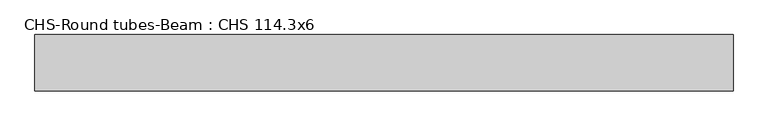
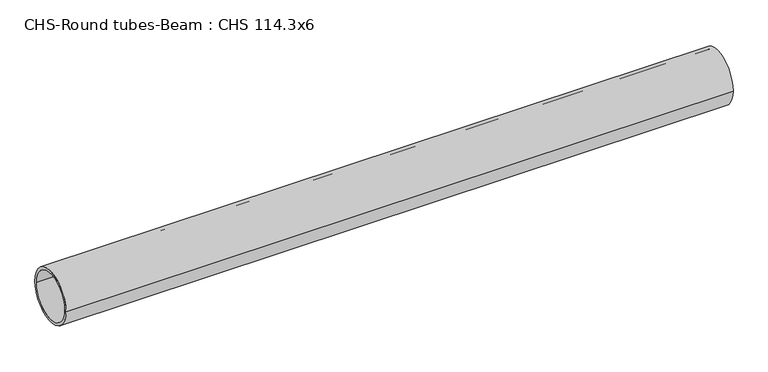
"""IFC4 building model written with IfcOpenShell, lengths in millimetres: beam geometry, CHS-Round tubes-Beam : CHS 114.3x6."""

from ifc_helpers import new_model, si_unit, point, frame, origin, origin_2d, place, context, project, spatial, circle_curve, trimmed, segment, composite_curve, outline, extrude, source, transform, mapped, element, save


def chs_round_tubes_beam_chs_114_3x6_f212ac87(model_context):
    return source(origin(), model_context, "Body", "SweptSolid", [
        extrude(outline(composite_curve([segment(trimmed(circle_curve(origin_2d(), 57.15), [point((57.15, 0.0))], [point((-57.15, 0.0))], False, "CARTESIAN"), True, "CONTINUOUS"), segment(trimmed(circle_curve(origin_2d(), 57.15), [point((-57.15, 0.0))], [point((57.15, 0.0))], False, "CARTESIAN"), True, "CONTINUOUS")], self_intersect=False), holes=[composite_curve([segment(trimmed(circle_curve(origin_2d(), 51.15), [point((51.15, 0.0))], [point((-51.15, 0.0))], True, "CARTESIAN"), True, "CONTINUOUS"), segment(trimmed(circle_curve(origin_2d(), 51.15), [point((-51.15, 0.0))], [point((51.15, 0.0))], True, "CARTESIAN"), True, "CONTINUOUS")], self_intersect=False)]), frame((-772.0870609, 0.0, 0.0), z_axis=(1.0, 0.0, 0.0), x_axis=(0.0, 1.0, 0.0)), (0.0, 0.0, 1.0), 1417.6867698),
    ])


if __name__ == "__main__":
    model = new_model("IFC4")
    model_context = context("Model", 3, world=origin())
    ifc_project = project(units=[si_unit("LENGTHUNIT", "METRE", prefix="MILLI")], contexts=[model_context])
    site = spatial("IfcSite", under=ifc_project)
    building = spatial("IfcBuilding", under=site)
    placement = place(None, origin())
    chs_round_tubes_beam_chs_114_3x6_shape = chs_round_tubes_beam_chs_114_3x6_f212ac87(model_context)
    element("IfcBeam", 1, ObjectType="CHS-Round tubes-Beam : CHS 114.3x6", at=placement, inside=building, context=model_context, shape_type="MappedRepresentation", body=[
        mapped(chs_round_tubes_beam_chs_114_3x6_shape, transform((0.0, 0.0, 0.0), x_axis=(1.0, 0.0, 0.0), y_axis=(0.0, 1.0, 0.0), z_axis=(0.0, 0.0, 1.0))),
    ])
    save(model, "model.ifc")
